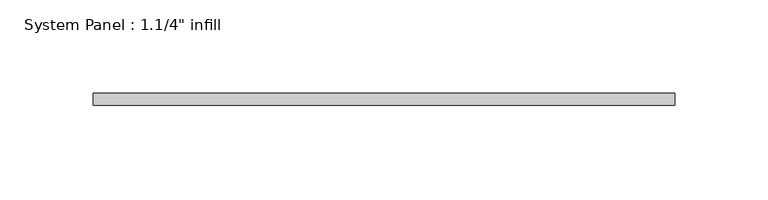
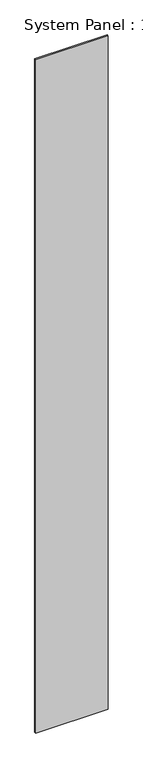
"""IFC4 building model written with IfcOpenShell, lengths in millimetres: plate geometry."""

from ifc_helpers import new_model, si_unit, origin, origin_with_axes, place, context, project, spatial, polyline, outline, extrude, source, transform, mapped, element, save


def plate_570ff201(model_context):
    return source(origin(), model_context, "Body", "SweptSolid", [
        extrude(outline(polyline([(155.575, -6.2507813), (-155.575, -6.2507813), (-155.575, 0.0992187), (155.575, 0.0992187), (155.575, -6.2507813)])), origin_with_axes(), (0.0, 0.0, 1.0), 3048.0),
    ])


if __name__ == "__main__":
    model = new_model("IFC4")
    model_context = context("Model", 3, world=origin())
    ifc_project = project(units=[si_unit("LENGTHUNIT", "METRE", prefix="MILLI")], contexts=[model_context])
    site = spatial("IfcSite", under=ifc_project)
    building = spatial("IfcBuilding", under=site)
    placement = place(None, origin())
    plate_shape = plate_570ff201(model_context)
    element("IfcPlate", 1, ObjectType="System Panel : 1.1/4\" infill", at=placement, inside=building, context=model_context, shape_type="MappedRepresentation", body=[
        mapped(plate_shape, transform((0.0, 0.0, 0.0), x_axis=(1.0, 0.0, 0.0), y_axis=(0.0, 1.0, 0.0), z_axis=(0.0, 0.0, 1.0))),
    ])
    save(model, "model.ifc")
